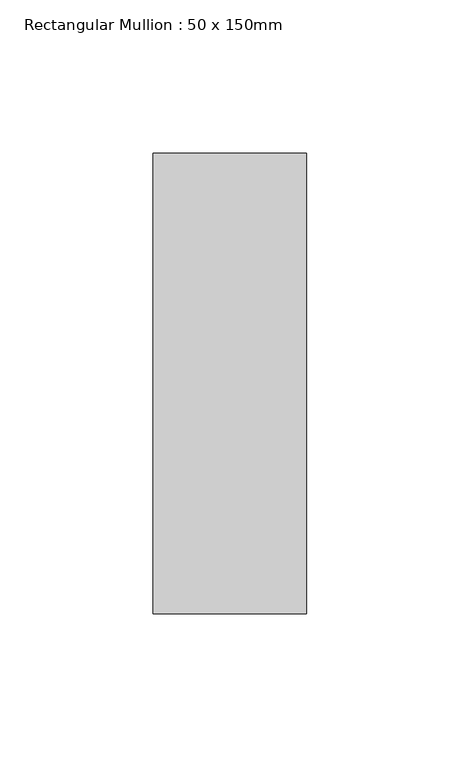
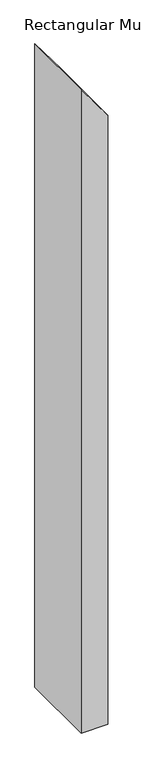
"""IFC4 building model written with IfcOpenShell, lengths in millimetres: member geometry, Rectangular Mullion : 50 x 150mm."""

from ifc_helpers import new_model, si_unit, frame, origin, place, context, project, spatial, polyline, outline, extrude, source, transform, mapped, element, save


def rectangular_mullion_50_x_150mm_b95ea203(model_context):
    return source(origin(), model_context, "Body", "SweptSolid", [
        extrude(outline(polyline([(-118.3999384, 25.0), (-50.4028894, -25.0), (-1327.5491124, -25.0), (-1327.5491124, 25.0), (-118.3999384, 25.0)])), frame((0.0, -75.0, 0.0), z_axis=(0.0, 1.0, 0.0), x_axis=(0.0, 0.0, 1.0)), (0.0, 0.0, 1.0), 150.0),
    ])


if __name__ == "__main__":
    model = new_model("IFC4")
    model_context = context("Model", 3, world=origin())
    ifc_project = project(units=[si_unit("LENGTHUNIT", "METRE", prefix="MILLI")], contexts=[model_context])
    site = spatial("IfcSite", under=ifc_project)
    building = spatial("IfcBuilding", under=site)
    placement = place(None, origin())
    rectangular_mullion_50_x_150mm_shape = rectangular_mullion_50_x_150mm_b95ea203(model_context)
    element("IfcMember", 1, ObjectType="Rectangular Mullion : 50 x 150mm", at=placement, inside=building, context=model_context, shape_type="MappedRepresentation", body=[
        mapped(rectangular_mullion_50_x_150mm_shape, transform((0.0, 0.0, 0.0), x_axis=(1.0, 0.0, 0.0), y_axis=(0.0, 1.0, 0.0), z_axis=(0.0, 0.0, 1.0))),
    ])
    save(model, "model.ifc")
